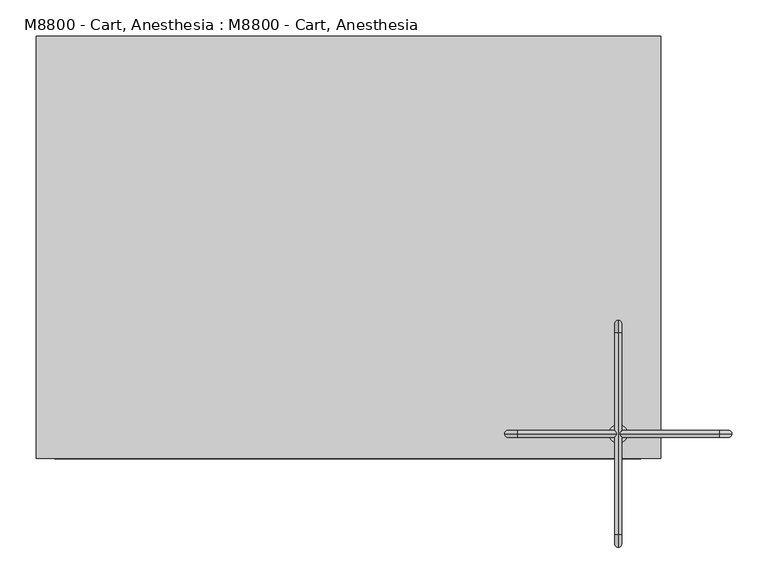
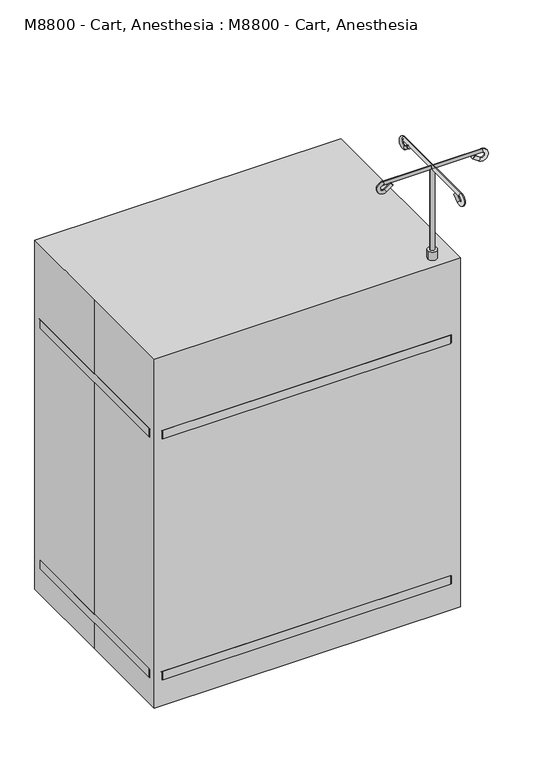
"""IFC4 building model written with IfcOpenShell, lengths in millimetres: proxy geometry, M8800 - Cart, Anesthesia : M8800 - Cart, Anesthesia."""

from ifc_helpers import new_model, si_unit, point, frame, frame_2d, origin, origin_with_axes, place, context, project, spatial, polyline, circle_curve, ellipse_curve, trimmed, segment, composite_curve, outline, extrude, source, transform, mapped, element, save
from ifc_brep_helpers import plane_surface, cylinder_surface, revolved_surface, advanced_brep


def m8800_cart_anesthesia_m8800_cart_anesthesia_c32531b6(model_context):
    return source(origin(), model_context, "Body", "SolidModel", [
        extrude(outline(composite_curve([segment(trimmed(circle_curve(frame_2d((372.8549743, -257.8577972)), 6.35), [point((366.5049743, -257.8577972))], [point((379.2049743, -257.8577972))], False, "CARTESIAN"), True, "CONTINUOUS"), segment(trimmed(circle_curve(frame_2d((372.8549743, -257.8577972)), 6.35), [point((379.2049743, -257.8577972))], [point((366.5049743, -257.8577972))], False, "CARTESIAN"), True, "CONTINUOUS")], self_intersect=False)), frame((0.0, 0.0, 1066.8), z_axis=(0.0, 0.0, 1.0), x_axis=(1.0, 0.0, 0.0)), (0.0, 0.0, 1.0), 247.65),
        advanced_brep(
        [(372.8549743, -375.3332189, 1305.9580135), (372.8549743, -369.7574508, 1298.2355504), (372.8549743, -387.3355558, 1285.5438178), (372.8549743, -392.9113238, 1293.2662808), (372.8549743, -397.5577972, 1317.1641667), (372.8549743, -397.5577972, 1307.6391667), (372.8549743, -118.1577972, 1317.1641667), (372.8549743, -118.1577972, 1307.6391667), (372.8549743, -128.3800387, 1285.5438178), (372.8549743, -122.8042706, 1293.2662808), (372.8549743, -140.3823755, 1305.9580135), (372.8549743, -145.9581436, 1298.2355504)],
        [
            (0, 1, circle_curve(frame((372.8549743, -372.5453349, 1302.096782), z_axis=(0.0, 0.8107572744902805, 0.5853824748496425), x_axis=(0.0, 0.5853824748496425, -0.8107572744902805)), 4.7625)),
            (1, 0, circle_curve(frame((372.8549743, -372.5453349, 1302.096782), z_axis=(0.0, 0.8107572744902805, 0.5853824748496425), x_axis=(0.0, 0.5853824748496425, -0.8107572744902805)), 4.7625)),
            (1, 2),
            (2, 3, circle_curve(frame((372.8549743, -390.1234398, 1289.4050493), z_axis=(0.0, 0.8107572744902805, 0.5853824748496425), x_axis=(0.0, 0.5853824748496425, -0.8107572744902805)), 4.7625)),
            (3, 0),
            (3, 2, circle_curve(frame((372.8549743, -390.1234398, 1289.4050493), z_axis=(0.0, 0.8107572744902805, 0.5853824748496425), x_axis=(0.0, 0.5853824748496425, -0.8107572744902805)), 4.7625)),
            (4, 5, circle_curve(frame((372.8549743, -397.5577972, 1312.4016667), z_axis=(0.0, -1.0, 0.0), x_axis=(0.0, 0.0, 1.0)), 4.7625)),
            (5, 3, circle_curve(frame((372.8549743, -397.5577972, 1299.7016667), z_axis=(1.0, 0.0, 0.0), x_axis=(0.0, 0.5853824748496496, -0.8107572744902752)), 7.9375)),
            (2, 4, circle_curve(frame((372.8549743, -397.5577972, 1299.7016667), z_axis=(-1.0, 0.0, 0.0), x_axis=(0.0, 0.5853824748496496, -0.8107572744902752)), 17.4625)),
            (5, 4, circle_curve(frame((372.8549743, -397.5577972, 1312.4016667), z_axis=(0.0, -1.0000000000000002, 0.0), x_axis=(0.0, 0.0, 1.0000000000000002)), 4.7625)),
            (4, 6),
            (6, 7, circle_curve(frame((372.8549743, -118.1577972, 1312.4016667), z_axis=(0.0, -1.0, 0.0), x_axis=(0.0, 0.0, 1.0)), 4.7625)),
            (7, 5),
            (7, 6, circle_curve(frame((372.8549743, -118.1577972, 1312.4016667), z_axis=(0.0, -1.0, 0.0), x_axis=(0.0, 0.0, 1.0)), 4.7625)),
            (8, 9, circle_curve(frame((372.8549743, -125.5921547, 1289.4050493), z_axis=(0.0, 0.8107572744895707, -0.5853824748506253), x_axis=(0.0, -0.5853824748506253, -0.8107572744895707)), 4.7625)),
            (9, 7, circle_curve(frame((372.8549743, -118.1577972, 1299.7016667), z_axis=(1.0, 0.0, 0.0), x_axis=(0.0, 0.0, 1.0)), 7.9375)),
            (6, 8, circle_curve(frame((372.8549743, -118.1577972, 1299.7016667), z_axis=(-1.0, 0.0, 0.0), x_axis=(0.0, 0.0, 1.0)), 17.4625)),
            (9, 8, circle_curve(frame((372.8549743, -125.5921547, 1289.4050493), z_axis=(0.0, 0.8107572744906129, -0.5853824748491818), x_axis=(0.0, -0.5853824748491818, -0.8107572744906129)), 4.7625)),
            (10, 11, circle_curve(frame((372.8549743, -143.1702596, 1302.096782), z_axis=(0.0, -0.8107572744898957, 0.5853824748501752), x_axis=(0.0, -0.5853824748501752, -0.8107572744898957)), 4.7625)),
            (11, 10, circle_curve(frame((372.8549743, -143.1702596, 1302.096782), z_axis=(0.0, -0.8107572744898957, 0.5853824748501752), x_axis=(0.0, -0.5853824748501752, -0.8107572744898957)), 4.7625)),
            (8, 11),
            (10, 9),
        ],
        [
            plane_surface(frame((639.5549743, -372.5453349, 1302.096782), z_axis=(0.0, 0.8107572744902805, 0.5853824748496425), x_axis=(-1.0, 0.0, 0.0))),
            cylinder_surface(frame((372.8549743, -372.5453349, 1302.096782), z_axis=(0.0, 0.8107572744902805, 0.5853824748496425), x_axis=(0.0, 0.5853824748496425, -0.8107572744902805)), 4.7625),
            revolved_surface(trimmed(ellipse_curve(frame((372.8549743, -390.1234398, 1289.4050493), z_axis=(0.0, -0.8107572744902751, -0.5853824748496497), x_axis=(0.0, 0.5853824748496497, -0.8107572744902751)), 4.7625, 4.7625), [point((372.8549743, -392.9113238, 1293.2662808))], [point((372.8549743, -387.3355558, 1285.5438178))], True, "CARTESIAN"), (639.5549743, -397.5577972, 1299.7016667), (1.0, 0.0, 0.0)),
            revolved_surface(trimmed(ellipse_curve(frame((372.8549743, -390.1234398, 1289.4050493), z_axis=(0.0, -0.8107572744902751, -0.5853824748496497), x_axis=(0.0, 0.5853824748496497, -0.8107572744902751)), 4.7625, 4.7625), [point((372.8549743, -387.3355558, 1285.5438178))], [point((372.8549743, -392.9113238, 1293.2662808))], True, "CARTESIAN"), (639.5549743, -397.5577972, 1299.7016667), (1.0, 0.0, 0.0)),
            cylinder_surface(frame((372.8549743, -397.5577972, 1312.4016667), z_axis=(0.0, -1.0, 0.0), x_axis=(0.0, 0.0, 1.0)), 4.7625),
            revolved_surface(trimmed(ellipse_curve(frame((372.8549743, -118.1577972, 1312.4016667), z_axis=(0.0, 1.0, 0.0), x_axis=(0.0, 0.0, 1.0)), 4.7625, 4.7625), [point((372.8549743, -118.1577972, 1307.6391667))], [point((372.8549743, -118.1577972, 1317.1641667))], True, "CARTESIAN"), (639.5549743, -118.1577972, 1299.7016667), (1.0, 0.0, 0.0)),
            revolved_surface(trimmed(ellipse_curve(frame((372.8549743, -118.1577972, 1312.4016667), z_axis=(0.0, 1.0, 0.0), x_axis=(0.0, 0.0, 1.0)), 4.7625, 4.7625), [point((372.8549743, -118.1577972, 1317.1641667))], [point((372.8549743, -118.1577972, 1307.6391667))], True, "CARTESIAN"), (639.5549743, -118.1577972, 1299.7016667), (1.0, 0.0, 0.0)),
            plane_surface(frame((639.5549743, -143.1702596, 1302.096782), z_axis=(0.0, -0.8107572744898955, 0.5853824748501754), x_axis=(-1.0, 0.0, 0.0))),
            cylinder_surface(frame((372.8549743, -125.5921547, 1289.4050493), z_axis=(0.0, 0.8107572744898957, -0.5853824748501752), x_axis=(0.0, -0.5853824748501752, -0.8107572744898957)), 4.7625),
        ],
        [
            (0, [[1, 2]]),
            (1, [[3, 4, 5, -2]]),
            (1, [[-5, 6, -3, -1]]),
            (2, [[7, 8, -4, 9]]),
            (3, [[10, -9, -6, -8]]),
            (4, [[11, 12, 13, -7]]),
            (4, [[-13, 14, -11, -10]]),
            (5, [[15, 16, -12, 17]]),
            (6, [[18, -17, -14, -16]]),
            (7, [[19, 20]]),
            (8, [[21, -19, 22, -15]]),
            (8, [[-22, -20, -21, -18]]),
        ],
    ),
        advanced_brep(
        [(255.3795526, -257.8577972, 1305.9580135), (260.9553207, -257.8577972, 1298.2355504), (243.3772158, -257.8577972, 1285.5438178), (237.8014477, -257.8577972, 1293.2662808), (233.1549743, -257.8577972, 1317.1641667), (233.1549743, -257.8577972, 1307.6391667), (512.5549743, -257.8577972, 1317.1641667), (512.5549743, -257.8577972, 1307.6391667), (502.3327328, -257.8577972, 1285.5438178), (507.9085009, -257.8577972, 1293.2662808), (490.330396, -257.8577972, 1305.9580135), (484.7546279, -257.8577972, 1298.2355504)],
        [
            (0, 1, circle_curve(frame((258.1674367, -257.8577972, 1302.096782), z_axis=(0.810757274490287, 0.0, 0.5853824748496332), x_axis=(0.5853824748496332, 0.0, -0.810757274490287)), 4.7625)),
            (1, 0, circle_curve(frame((258.1674367, -257.8577972, 1302.096782), z_axis=(0.810757274490287, 0.0, 0.5853824748496332), x_axis=(0.5853824748496332, 0.0, -0.810757274490287)), 4.7625)),
            (1, 2),
            (2, 3, circle_curve(frame((240.5893317, -257.8577972, 1289.4050493), z_axis=(0.810757274490287, 0.0, 0.5853824748496332), x_axis=(0.5853824748496332, 0.0, -0.810757274490287)), 4.7625)),
            (3, 0),
            (3, 2, circle_curve(frame((240.5893317, -257.8577972, 1289.4050493), z_axis=(0.810757274490287, 0.0, 0.5853824748496332), x_axis=(0.5853824748496332, 0.0, -0.810757274490287)), 4.7625)),
            (4, 5, circle_curve(frame((233.1549743, -257.8577972, 1312.4016667), z_axis=(-1.0, 0.0, 0.0), x_axis=(0.0, 0.0, 1.0)), 4.7625)),
            (5, 3, circle_curve(frame((233.1549743, -257.8577972, 1299.7016667), z_axis=(0.0, -1.0, 0.0), x_axis=(0.5853824748496301, 0.0, -0.8107572744902892)), 7.9375)),
            (2, 4, circle_curve(frame((233.1549743, -257.8577972, 1299.7016667), z_axis=(0.0, 1.0, 0.0), x_axis=(0.5853824748496301, 0.0, -0.8107572744902892)), 17.4625)),
            (5, 4, circle_curve(frame((233.1549743, -257.8577972, 1312.4016667), z_axis=(-1.0, 0.0, 0.0), x_axis=(0.0, 0.0, 1.0)), 4.7625)),
            (4, 6),
            (6, 7, circle_curve(frame((512.5549743, -257.8577972, 1312.4016667), z_axis=(-1.0, 0.0, 0.0), x_axis=(0.0, 0.0, 1.0)), 4.7625)),
            (7, 5),
            (7, 6, circle_curve(frame((512.5549743, -257.8577972, 1312.4016667), z_axis=(-1.0, 0.0, 0.0), x_axis=(0.0, 0.0, 1.0)), 4.7625)),
            (8, 9, circle_curve(frame((505.1206169, -257.8577972, 1289.4050493), z_axis=(0.8107572744899049, 0.0, -0.5853824748501625), x_axis=(-0.5853824748501625, 0.0, -0.8107572744899049)), 4.7625)),
            (9, 7, circle_curve(frame((512.5549743, -257.8577972, 1299.7016667), z_axis=(0.0, -1.0, 0.0), x_axis=(0.0, 0.0, 1.0)), 7.9375)),
            (6, 8, circle_curve(frame((512.5549743, -257.8577972, 1299.7016667), z_axis=(0.0, 1.0, 0.0), x_axis=(0.0, 0.0, 1.0)), 17.4625)),
            (9, 8, circle_curve(frame((505.1206169, -257.8577972, 1289.4050493), z_axis=(0.81075727448992, 0.0, -0.5853824748501416), x_axis=(-0.5853824748501416, 0.0, -0.81075727448992)), 4.7625)),
            (10, 11, circle_curve(frame((487.5425119, -257.8577972, 1302.096782), z_axis=(-0.8107572744899004, 0.0, 0.5853824748501685), x_axis=(-0.5853824748501685, 0.0, -0.8107572744899004)), 4.7625)),
            (11, 10, circle_curve(frame((487.5425119, -257.8577972, 1302.096782), z_axis=(-0.8107572744899004, 0.0, 0.5853824748501685), x_axis=(-0.5853824748501685, 0.0, -0.8107572744899004)), 4.7625)),
            (8, 11),
            (10, 9),
        ],
        [
            plane_surface(frame((258.1674367, -473.7577972, 1302.096782), z_axis=(0.810757274490287, 0.0, 0.5853824748496332), x_axis=(0.0, 1.0, 0.0))),
            cylinder_surface(frame((258.1674367, -257.8577972, 1302.096782), z_axis=(0.810757274490287, 0.0, 0.5853824748496332), x_axis=(0.5853824748496332, 0.0, -0.810757274490287)), 4.7625),
            revolved_surface(trimmed(ellipse_curve(frame((240.5893317, -257.8577972, 1289.4050493), z_axis=(-0.8107572744902892, 0.0, -0.5853824748496301), x_axis=(0.5853824748496301, 0.0, -0.8107572744902892)), 4.7625, 4.7625), [point((237.8014477, -257.8577972, 1293.2662808))], [point((243.3772158, -257.8577972, 1285.5438178))], True, "CARTESIAN"), (233.1549743, -473.7577972, 1299.7016667), (0.0, -1.0, 0.0)),
            revolved_surface(trimmed(ellipse_curve(frame((240.5893317, -257.8577972, 1289.4050493), z_axis=(-0.8107572744902892, 0.0, -0.5853824748496301), x_axis=(0.5853824748496301, 0.0, -0.8107572744902892)), 4.7625, 4.7625), [point((243.3772158, -257.8577972, 1285.5438178))], [point((237.8014477, -257.8577972, 1293.2662808))], True, "CARTESIAN"), (233.1549743, -473.7577972, 1299.7016667), (0.0, -1.0, 0.0)),
            cylinder_surface(frame((233.1549743, -257.8577972, 1312.4016667), z_axis=(-1.0, 0.0, 0.0), x_axis=(0.0, 0.0, 1.0)), 4.7625),
            revolved_surface(trimmed(ellipse_curve(frame((512.5549743, -257.8577972, 1312.4016667), z_axis=(1.0, 0.0, 0.0), x_axis=(0.0, 0.0, 1.0)), 4.7625, 4.7625), [point((512.5549743, -257.8577972, 1307.6391667))], [point((512.5549743, -257.8577972, 1317.1641667))], True, "CARTESIAN"), (512.5549743, -473.7577972, 1299.7016667), (0.0, -1.0, 0.0)),
            revolved_surface(trimmed(ellipse_curve(frame((512.5549743, -257.8577972, 1312.4016667), z_axis=(1.0, 0.0, 0.0), x_axis=(0.0, 0.0, 1.0)), 4.7625, 4.7625), [point((512.5549743, -257.8577972, 1317.1641667))], [point((512.5549743, -257.8577972, 1307.6391667))], True, "CARTESIAN"), (512.5549743, -473.7577972, 1299.7016667), (0.0, -1.0, 0.0)),
            plane_surface(frame((487.5425119, -473.7577972, 1302.096782), z_axis=(-0.8107572744899004, 0.0, 0.5853824748501685), x_axis=(0.0, 1.0, 0.0))),
            cylinder_surface(frame((505.1206169, -257.8577972, 1289.4050493), z_axis=(0.8107572744899004, 0.0, -0.5853824748501685), x_axis=(-0.5853824748501685, 0.0, -0.8107572744899004)), 4.7625),
        ],
        [
            (0, [[1, 2]]),
            (1, [[3, 4, 5, -2]]),
            (1, [[-5, 6, -3, -1]]),
            (2, [[7, 8, -4, 9]]),
            (3, [[10, -9, -6, -8]]),
            (4, [[11, 12, 13, -7]]),
            (4, [[-13, 14, -11, -10]]),
            (5, [[15, 16, -12, 17]]),
            (6, [[18, -17, -14, -16]]),
            (7, [[19, 20]]),
            (8, [[21, -19, 22, -15]]),
            (8, [[-22, -20, -21, -18]]),
        ],
    ),
        extrude(outline(polyline([(820.0646026, -374.65), (966.1146026, -374.65), (966.1146026, 120.65), (820.0646026, 120.65), (820.0646026, 127.0), (972.4646026, 127.0), (972.4646026, -381.0), (820.0646026, -381.0), (820.0646026, -374.65)])), frame((0.0, -257.8577972, 0.0), z_axis=(0.0, 1.0, 0.0), x_axis=(0.0, 0.0, 1.0)), (0.0, 0.0, 1.0), 25.4),
        extrude(outline(composite_curve([segment(polyline([(404.3351605, -292.1), (-406.4, -292.1)]), True, "CONTINUOUS"), segment(trimmed(circle_curve(frame_2d((-406.4, -266.7)), 25.4), [point((-406.4, -292.1))], [point((-431.8, -266.7))], False, "CARTESIAN"), True, "CONTINUOUS"), segment(polyline([(-431.8, -266.7), (-431.8, 266.9423102)]), True, "CONTINUOUS"), segment(trimmed(circle_curve(frame_2d((-406.4, 266.9423102)), 25.4), [point((-431.8, 266.9423102))], [point((-406.4, 292.3423102))], False, "CARTESIAN"), True, "CONTINUOUS"), segment(polyline([(-406.4, 292.3423102), (404.3351605, 292.3423102)]), True, "CONTINUOUS"), segment(trimmed(circle_curve(frame_2d((404.3351605, 266.9423102)), 25.4), [point((404.3351605, 292.3423102))], [point((429.7351605, 266.9423102))], False, "CARTESIAN"), True, "CONTINUOUS"), segment(polyline([(429.7351605, 266.9423102), (429.7351605, -266.7)]), True, "CONTINUOUS"), segment(trimmed(circle_curve(frame_2d((404.3351605, -266.7)), 25.4), [point((429.7351605, -266.7))], [point((404.3351605, -292.1))], False, "CARTESIAN"), True, "CONTINUOUS")], self_intersect=False)), frame((0.0, 0.0, 794.6646026), z_axis=(0.0, 0.0, 1.0), x_axis=(1.0, 0.0, 0.0)), (0.0, 0.0, 1.0), 25.4),
        extrude(outline(polyline([(-387.35, -260.35), (-387.35, -241.3), (387.35, -241.3), (387.35, -260.35), (-387.35, -260.35)])), frame((0.0, 0.0, 101.6), z_axis=(0.0, 0.0, 1.0), x_axis=(1.0, 0.0, 0.0)), (0.0, 0.0, 1.0), 693.0646026),
        extrude(outline(polyline([(406.4, -260.35), (387.35, -260.35), (387.35, 247.65), (406.4, 247.65), (406.4, -260.35)])), frame((0.0, 0.0, 101.6), z_axis=(0.0, 0.0, 1.0), x_axis=(1.0, 0.0, 0.0)), (0.0, 0.0, 1.0), 693.0646026),
        extrude(outline(polyline([(-387.35, -260.35), (-406.4, -260.35), (-406.4, 247.65), (-387.35, 247.65), (-387.35, -260.35)])), frame((0.0, 0.0, 101.6), z_axis=(0.0, 0.0, 1.0), x_axis=(1.0, 0.0, 0.0)), (0.0, 0.0, 1.0), 693.0646026),
        extrude(outline(polyline([(-228.6, 31.75), (-236.4377343, 76.2), (-208.0622657, 76.2), (-215.9, 31.75), (-228.6, 31.75)])), frame((-374.65, 0.0, 0.0), z_axis=(1.0, 0.0, 0.0), x_axis=(0.0, 1.0, 0.0)), (0.0, 0.0, 1.0), 3.175),
        extrude(outline(polyline([(-228.6, 31.75), (-236.4377343, 76.2), (-208.0622657, 76.2), (-215.9, 31.75), (-228.6, 31.75)])), frame((-390.525, 0.0, 0.0), z_axis=(1.0, 0.0, 0.0), x_axis=(0.0, 1.0, 0.0)), (0.0, 0.0, 1.0), 3.175),
        extrude(outline(composite_curve([segment(trimmed(circle_curve(frame_2d((-222.25, 31.75)), 31.75), [point((-254.0, 31.75))], [point((-190.5, 31.75))], False, "CARTESIAN"), True, "CONTINUOUS"), segment(trimmed(circle_curve(frame_2d((-222.25, 31.75)), 31.75), [point((-190.5, 31.75))], [point((-254.0, 31.75))], False, "CARTESIAN"), True, "CONTINUOUS")], self_intersect=False)), frame((-387.35, 0.0, 0.0), z_axis=(1.0, 0.0, 0.0), x_axis=(0.0, 1.0, 0.0)), (0.0, 0.0, 1.0), 12.7),
        extrude(outline(polyline([(-228.6, 31.75), (-236.4377343, 76.2), (-208.0622657, 76.2), (-215.9, 31.75), (-228.6, 31.75)])), frame((365.125, 0.0, 0.0), z_axis=(1.0, 0.0, 0.0), x_axis=(0.0, 1.0, 0.0)), (0.0, 0.0, 1.0), 3.175),
        extrude(outline(polyline([(-228.6, 31.75), (-236.4377343, 76.2), (-208.0622657, 76.2), (-215.9, 31.75), (-228.6, 31.75)])), frame((381.0, 0.0, 0.0), z_axis=(1.0, 0.0, 0.0), x_axis=(0.0, 1.0, 0.0)), (0.0, 0.0, 1.0), 3.175),
        extrude(outline(composite_curve([segment(trimmed(circle_curve(frame_2d((-222.25, 31.75)), 31.75), [point((-254.0, 31.75))], [point((-190.5, 31.75))], False, "CARTESIAN"), True, "CONTINUOUS"), segment(trimmed(circle_curve(frame_2d((-222.25, 31.75)), 31.75), [point((-190.5, 31.75))], [point((-254.0, 31.75))], False, "CARTESIAN"), True, "CONTINUOUS")], self_intersect=False)), frame((368.3, 0.0, 0.0), z_axis=(1.0, 0.0, 0.0), x_axis=(0.0, 1.0, 0.0)), (0.0, 0.0, 1.0), 12.7),
        extrude(outline(composite_curve([segment(trimmed(circle_curve(frame_2d((0.0, 158.75)), 127.0), [point((76.2, 260.35))], [point((-76.2, 260.35))], True, "CARTESIAN"), True, "CONTINUOUS"), segment(polyline([(-76.2, 260.35), (-86.3693377, 260.35)]), True, "CONTINUOUS"), segment(trimmed(circle_curve(frame_2d((0.0, 158.75)), 133.35), [point((-86.3693377, 260.35))], [point((86.3693377, 260.35))], False, "CARTESIAN"), True, "CONTINUOUS"), segment(polyline([(86.3693377, 260.35), (76.2, 260.35)]), True, "CONTINUOUS")], self_intersect=False)), frame((0.0, 0.0, 736.6), z_axis=(0.0, 0.0, 1.0), x_axis=(1.0, 0.0, 0.0)), (0.0, 0.0, 1.0), 12.7),
        extrude(outline(polyline([(406.4, 260.35), (406.4, 247.65), (-406.4, 247.65), (-406.4, 260.35), (406.4, 260.35)])), frame((0.0, 0.0, 692.15), z_axis=(0.0, 0.0, 1.0), x_axis=(1.0, 0.0, 0.0)), (0.0, 0.0, 1.0), 101.6),
        extrude(outline(composite_curve([segment(trimmed(circle_curve(frame_2d((0.0, 158.75)), 127.0), [point((76.2, 260.35))], [point((-76.2, 260.35))], True, "CARTESIAN"), True, "CONTINUOUS"), segment(polyline([(-76.2, 260.35), (-86.3693377, 260.35)]), True, "CONTINUOUS"), segment(trimmed(circle_curve(frame_2d((0.0, 158.75)), 133.35), [point((-86.3693377, 260.35))], [point((86.3693377, 260.35))], False, "CARTESIAN"), True, "CONTINUOUS"), segment(polyline([(86.3693377, 260.35), (76.2, 260.35)]), True, "CONTINUOUS")], self_intersect=False)), frame((0.0, 0.0, 628.65), z_axis=(0.0, 0.0, 1.0), x_axis=(1.0, 0.0, 0.0)), (0.0, 0.0, 1.0), 12.7),
        extrude(outline(polyline([(406.4, 260.35), (406.4, 247.65), (-406.4, 247.65), (-406.4, 260.35), (406.4, 260.35)])), frame((0.0, 0.0, 584.2), z_axis=(0.0, 0.0, 1.0), x_axis=(1.0, 0.0, 0.0)), (0.0, 0.0, 1.0), 101.6),
        extrude(outline(composite_curve([segment(trimmed(circle_curve(frame_2d((0.0, 158.75)), 127.0), [point((76.2, 260.35))], [point((-76.2, 260.35))], True, "CARTESIAN"), True, "CONTINUOUS"), segment(polyline([(-76.2, 260.35), (-86.3693377, 260.35)]), True, "CONTINUOUS"), segment(trimmed(circle_curve(frame_2d((0.0, 158.75)), 133.35), [point((-86.3693377, 260.35))], [point((86.3693377, 260.35))], False, "CARTESIAN"), True, "CONTINUOUS"), segment(polyline([(86.3693377, 260.35), (76.2, 260.35)]), True, "CONTINUOUS")], self_intersect=False)), frame((0.0, 0.0, 342.9), z_axis=(0.0, 0.0, 1.0), x_axis=(1.0, 0.0, 0.0)), (0.0, 0.0, 1.0), 12.7),
        extrude(outline(composite_curve([segment(trimmed(circle_curve(frame_2d((-0.7312252, 158.75)), 127.0), [point((75.4687748, 260.35))], [point((-76.9312252, 260.35))], True, "CARTESIAN"), True, "CONTINUOUS"), segment(polyline([(-76.9312252, 260.35), (-87.1005629, 260.35)]), True, "CONTINUOUS"), segment(trimmed(circle_curve(frame_2d((-0.7312252, 158.75)), 133.35), [point((-87.1005629, 260.35))], [point((85.6381125, 260.35))], False, "CARTESIAN"), True, "CONTINUOUS"), segment(polyline([(85.6381125, 260.35), (75.4687748, 260.35)]), True, "CONTINUOUS")], self_intersect=False)), frame((0.0, 0.0, 488.95), z_axis=(0.0, 0.0, 1.0), x_axis=(1.0, 0.0, 0.0)), (0.0, 0.0, 1.0), 12.7),
        extrude(outline(polyline([(406.4, 260.35), (406.4, 247.65), (-406.4, 247.65), (-406.4, 260.35), (406.4, 260.35)])), frame((0.0, 0.0, 101.6), z_axis=(0.0, 0.0, 1.0), x_axis=(1.0, 0.0, 0.0)), (0.0, 0.0, 1.0), 304.8),
        extrude(outline(polyline([(406.4, 260.35), (406.4, 247.65), (-406.4, 247.65), (-406.4, 260.35), (406.4, 260.35)])), frame((0.0, 0.0, 412.75), z_axis=(0.0, 0.0, 1.0), x_axis=(1.0, 0.0, 0.0)), (0.0, 0.0, 1.0), 165.1),
        extrude(outline(polyline([(247.65, 31.75), (234.95, 31.75), (227.1122657, 76.2), (255.4877343, 76.2), (247.65, 31.75)])), frame((-374.65, 0.0, 0.0), z_axis=(1.0, 0.0, 0.0), x_axis=(0.0, 1.0, 0.0)), (0.0, 0.0, 1.0), 3.175),
        extrude(outline(polyline([(247.65, 31.75), (234.95, 31.75), (227.1122657, 76.2), (255.4877343, 76.2), (247.65, 31.75)])), frame((-390.525, 0.0, 0.0), z_axis=(1.0, 0.0, 0.0), x_axis=(0.0, 1.0, 0.0)), (0.0, 0.0, 1.0), 3.175),
        extrude(outline(composite_curve([segment(trimmed(circle_curve(frame_2d((241.3, 31.75)), 31.75), [point((273.05, 31.75))], [point((209.55, 31.75))], False, "CARTESIAN"), True, "CONTINUOUS"), segment(trimmed(circle_curve(frame_2d((241.3, 31.75)), 31.75), [point((209.55, 31.75))], [point((273.05, 31.75))], False, "CARTESIAN"), True, "CONTINUOUS")], self_intersect=False)), frame((-387.35, 0.0, 0.0), z_axis=(1.0, 0.0, 0.0), x_axis=(0.0, 1.0, 0.0)), (0.0, 0.0, 1.0), 12.7),
        extrude(outline(polyline([(247.65, 31.75), (234.95, 31.75), (227.1122657, 76.2), (255.4877343, 76.2), (247.65, 31.75)])), frame((365.125, 0.0, 0.0), z_axis=(1.0, 0.0, 0.0), x_axis=(0.0, 1.0, 0.0)), (0.0, 0.0, 1.0), 3.175),
        extrude(outline(polyline([(247.65, 31.75), (234.95, 31.75), (227.1122657, 76.2), (255.4877343, 76.2), (247.65, 31.75)])), frame((381.0, 0.0, 0.0), z_axis=(1.0, 0.0, 0.0), x_axis=(0.0, 1.0, 0.0)), (0.0, 0.0, 1.0), 3.175),
        extrude(outline(composite_curve([segment(trimmed(circle_curve(frame_2d((241.3, 31.75)), 31.75), [point((273.05, 31.75))], [point((209.55, 31.75))], False, "CARTESIAN"), True, "CONTINUOUS"), segment(trimmed(circle_curve(frame_2d((241.3, 31.75)), 31.75), [point((209.55, 31.75))], [point((273.05, 31.75))], False, "CARTESIAN"), True, "CONTINUOUS")], self_intersect=False)), frame((368.3, 0.0, 0.0), z_axis=(1.0, 0.0, 0.0), x_axis=(0.0, 1.0, 0.0)), (0.0, 0.0, 1.0), 12.7),
        extrude(outline(composite_curve([segment(trimmed(circle_curve(frame_2d((372.8549743, -257.8577972)), 12.7), [point((360.1549743, -257.8577972))], [point((385.5549743, -257.8577972))], False, "CARTESIAN"), True, "CONTINUOUS"), segment(trimmed(circle_curve(frame_2d((372.8549743, -257.8577972)), 12.7), [point((385.5549743, -257.8577972))], [point((360.1549743, -257.8577972))], False, "CARTESIAN"), True, "CONTINUOUS")], self_intersect=False)), frame((0.0, 0.0, 820.0646026), z_axis=(0.0, 0.0, 1.0), x_axis=(1.0, 0.0, 0.0)), (0.0, 0.0, 1.0), 246.7353974),
        extrude(outline(composite_curve([segment(polyline([(404.3351605, -292.1), (-406.4, -292.1)]), True, "CONTINUOUS"), segment(trimmed(circle_curve(frame_2d((-406.4, -266.7)), 25.4), [point((-406.4, -292.1))], [point((-431.8, -266.7))], False, "CARTESIAN"), True, "CONTINUOUS"), segment(polyline([(-431.8, -266.7), (-431.8, 266.9423102)]), True, "CONTINUOUS"), segment(trimmed(circle_curve(frame_2d((-406.4, 266.9423102)), 25.4), [point((-431.8, 266.9423102))], [point((-406.4, 292.3423102))], False, "CARTESIAN"), True, "CONTINUOUS"), segment(polyline([(-406.4, 292.3423102), (404.3351605, 292.3423102)]), True, "CONTINUOUS"), segment(trimmed(circle_curve(frame_2d((404.3351605, 266.9423102)), 25.4), [point((404.3351605, 292.3423102))], [point((429.7351605, 266.9423102))], False, "CARTESIAN"), True, "CONTINUOUS"), segment(polyline([(429.7351605, 266.9423102), (429.7351605, -266.7)]), True, "CONTINUOUS"), segment(trimmed(circle_curve(frame_2d((404.3351605, -266.7)), 25.4), [point((429.7351605, -266.7))], [point((404.3351605, -292.1))], False, "CARTESIAN"), True, "CONTINUOUS")], self_intersect=False)), frame((0.0, 0.0, 76.2), z_axis=(0.0, 0.0, 1.0), x_axis=(1.0, 0.0, 0.0)), (0.0, 0.0, 1.0), 25.4),
        extrude(outline(polyline([(-431.8, -292.1), (-431.8, 0.0), (-431.8, 292.1), (431.8, 292.1), (431.8, -292.1), (-431.8, -292.1)])), origin_with_axes(), (0.0, 0.0, 1.0), 1041.4),
    ])


if __name__ == "__main__":
    model = new_model("IFC4")
    model_context = context("Model", 3, world=origin())
    ifc_project = project(units=[si_unit("LENGTHUNIT", "METRE", prefix="MILLI")], contexts=[model_context])
    site = spatial("IfcSite", under=ifc_project)
    building = spatial("IfcBuilding", under=site)
    placement = place(None, origin())
    m8800_cart_anesthesia_m8800_cart_anesthesia_shape = m8800_cart_anesthesia_m8800_cart_anesthesia_c32531b6(model_context)
    element("IfcBuildingElementProxy", 1, Name="M8800 - Cart, Anesthesia : M8800 - Cart, Anesthesia", ObjectType="M8800 - Cart, Anesthesia : M8800 - Cart, Anesthesia", at=placement, inside=building, context=model_context, shape_type="MappedRepresentation", body=[
        mapped(m8800_cart_anesthesia_m8800_cart_anesthesia_shape, transform((0.0, 0.0, 0.0), x_axis=(1.0, 0.0, 0.0), y_axis=(0.0, 1.0, 0.0), z_axis=(0.0, 0.0, 1.0))),
    ])
    save(model, "model.ifc")
